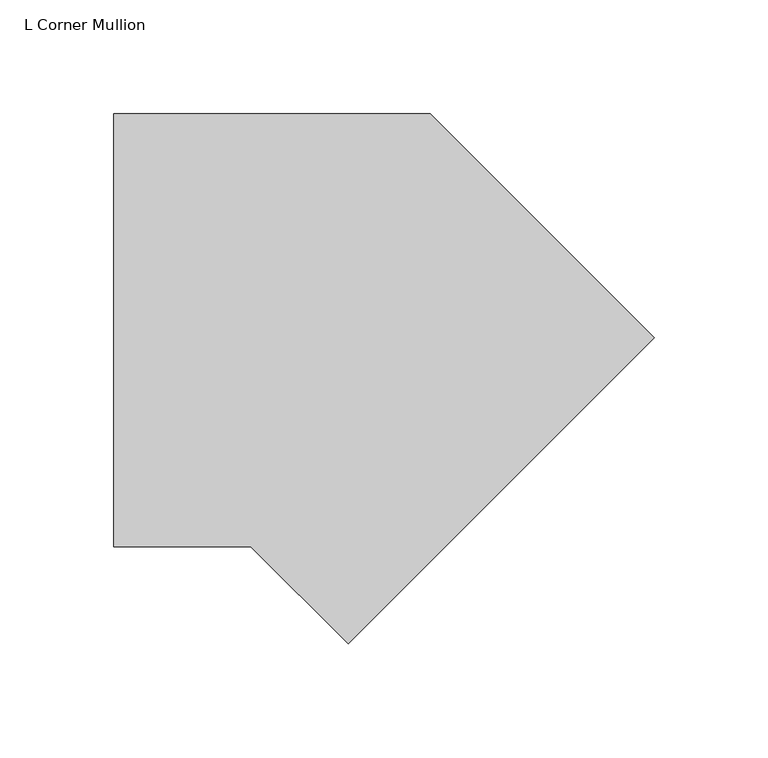
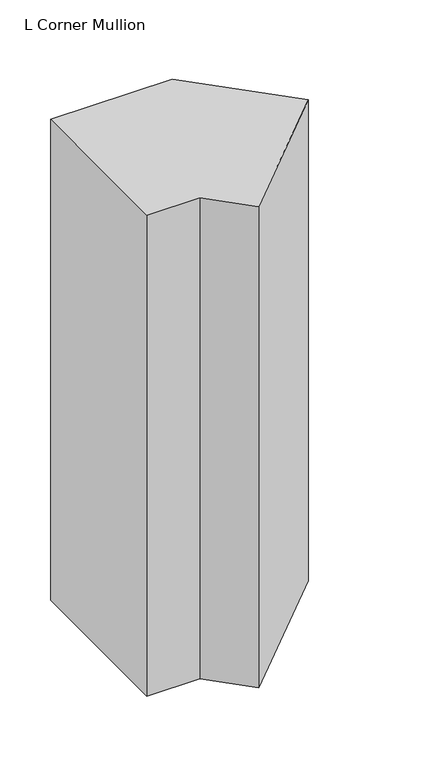
"""IFC4 building model written with IfcOpenShell, lengths in millimetres: member geometry, L Corner Mullion."""

from ifc_helpers import new_model, si_unit, frame, origin, place, context, project, spatial, polyline, outline, extrude, source, transform, mapped, element, save


def l_corner_mullion_a53a3411(model_context):
    return source(origin(), model_context, "Body", "SweptSolid", [
        extrude(outline(polyline([(26.8995846, -80.7811214), (-15.7815367, -38.1), (-76.1417574, -38.1), (-76.1417574, 152.4), (63.1261469, 152.4), (161.6034264, 53.9227205), (26.8995846, -80.7811214)])), frame((0.0, 0.0, -581.0250377), z_axis=(0.0, 0.0, 1.0), x_axis=(1.0, 0.0, 0.0)), (0.0, 0.0, 1.0), 581.0250377),
    ])


if __name__ == "__main__":
    model = new_model("IFC4")
    model_context = context("Model", 3, world=origin())
    ifc_project = project(units=[si_unit("LENGTHUNIT", "METRE", prefix="MILLI")], contexts=[model_context])
    site = spatial("IfcSite", under=ifc_project)
    building = spatial("IfcBuilding", under=site)
    placement = place(None, origin())
    l_corner_mullion_shape = l_corner_mullion_a53a3411(model_context)
    element("IfcMember", 1, ObjectType="L Corner Mullion", at=placement, inside=building, context=model_context, shape_type="MappedRepresentation", body=[
        mapped(l_corner_mullion_shape, transform((0.0, 0.0, 0.0), x_axis=(1.0, 0.0, 0.0), y_axis=(0.0, 1.0, 0.0), z_axis=(0.0, 0.0, 1.0))),
    ])
    save(model, "model.ifc")
